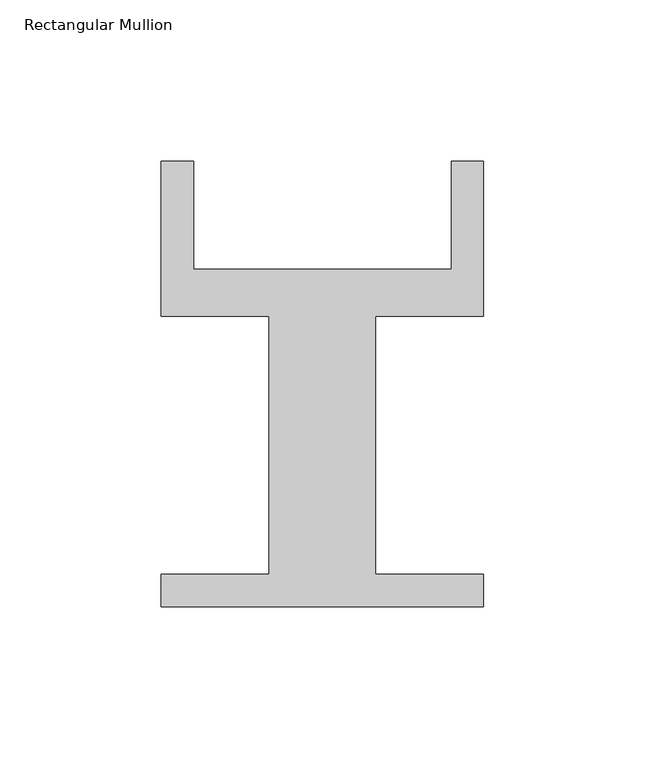
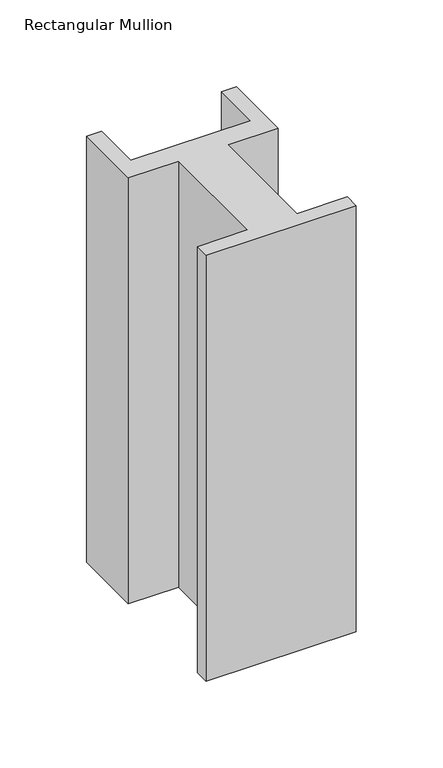
"""IFC4 building model written with IfcOpenShell, lengths in millimetres: member geometry, Rectangular Mullion."""

import ifcopenshell
import ifcopenshell.guid

model = None  # the IFC model being written
_history = None  # IfcOwnerHistory: only IFC2X3 demands one
_inside = {}  # id of a spatial element -> (the spatial element, [elements in it])
_under = {}  # id of a project, library or spatial element -> (it, [spatial elements below it])
_declared = {}  # id of a project -> (the project, [libraries it declares])
_typed = {}  # id of a type object -> (the type object, [elements of that type])
_made_of = {}  # id of a material, layer set ... -> (it, [elements and type objects made of it])


def new_model(schema):
    """Start an empty IFC model of exactly this schema.

    Asked for "IFC4X3", IfcOpenShell would pick the latest addendum, in which some entities
    have other attributes; the version numbers below select the first issue.
    IFC2X3 requires an IfcOwnerHistory on every rooted entity: one is made here for all.
    """
    global model, _history
    if schema == "IFC4X3":
        model = ifcopenshell.file(schema_version=(4, 3, 0, 0))
    else:
        model = ifcopenshell.file(schema=schema)
    _inside.clear()
    _under.clear()
    _declared.clear()
    _typed.clear()
    _made_of.clear()
    _history = None
    if model.schema == "IFC2X3":
        org = make("IfcOrganization", Name="unknown")
        user = make(
            "IfcPersonAndOrganization",
            ThePerson=make("IfcPerson", FamilyName="unknown"),
            TheOrganization=org,
        )
        app = make(
            "IfcApplication",
            ApplicationDeveloper=org,
            Version="unknown",
            ApplicationFullName="unknown",
            ApplicationIdentifier="unknown",
        )
        _history = make(
            "IfcOwnerHistory",
            OwningUser=user,
            OwningApplication=app,
            ChangeAction="ADDED",
            CreationDate=0,
        )
    return model


def make(cls, **values):
    """One entity of the class cls with the attributes given. An attribute that is None is left unset."""
    return model.create_entity(
        cls, **{name: value for name, value in values.items() if value is not None}
    )


def rooted(cls, **values):
    """An entity with a GlobalId (a new one), such as an element, a storey or a relation."""
    return make(cls, GlobalId=ifcopenshell.guid.new(), OwnerHistory=_history, **values)


def si_unit(unit_type, name, prefix=None):
    """IfcSIUnit, for example si_unit("LENGTHUNIT", "METRE", prefix="MILLI")."""
    return make("IfcSIUnit", UnitType=unit_type, Prefix=prefix, Name=name)


def assignment(units):
    """IfcUnitAssignment: the units of a project."""
    return None if units is None else make("IfcUnitAssignment", Units=units)


def point(xyz):
    """IfcCartesianPoint."""
    return None if xyz is None else make("IfcCartesianPoint", Coordinates=xyz)


def direction(xyz):
    """IfcDirection."""
    return None if xyz is None else make("IfcDirection", DirectionRatios=xyz)


def frame(location, z_axis=None, x_axis=None):
    """IfcAxis2Placement3D, a coordinate frame: its origin and axes. An axis left out is left unset."""
    return make(
        "IfcAxis2Placement3D",
        Location=point(location),
        Axis=direction(z_axis),
        RefDirection=direction(x_axis),
    )


def origin():
    """The frame at (0, 0, 0) with its axes left unset."""
    return frame((0.0, 0.0, 0.0))


def place(relative_to, where):
    """IfcLocalPlacement: puts the frame where relative to a parent placement (None: the world)."""
    return make(
        "IfcLocalPlacement", PlacementRelTo=relative_to, RelativePlacement=where
    )


def context(
    kind, dimensions, precision=None, world=None, true_north=None, identifier=None
):
    """IfcGeometricRepresentationContext, for example the 3D "Model" context."""
    return make(
        "IfcGeometricRepresentationContext",
        ContextIdentifier=identifier,
        ContextType=kind,
        CoordinateSpaceDimension=dimensions,
        Precision=precision,
        WorldCoordinateSystem=world,
        TrueNorth=true_north,
    )


def project(units=None, contexts=None):
    """IfcProject with its units and contexts."""
    return rooted(
        "IfcProject",
        Name="project",
        RepresentationContexts=contexts,
        UnitsInContext=assignment(units),
    )


def spatial(cls, under=None, at=None, **own):
    """A site, building, storey or space (cls), placed at a placement, below another one or the project."""
    s = rooted(cls, ObjectPlacement=at, **own)
    if under is not None:
        _under.setdefault(under.id(), (under, []))[1].append(s)
    return s


def polyline(points):
    """IfcPolyline through the points."""
    return make("IfcPolyline", Points=[point(p) for p in points])


def outline(outer, holes=None, kind="AREA"):
    """IfcArbitraryClosedProfileDef: a profile drawn as a closed curve; with holes, ...WithVoids."""
    if holes is None:
        return make("IfcArbitraryClosedProfileDef", ProfileType=kind, OuterCurve=outer)
    return make(
        "IfcArbitraryProfileDefWithVoids",
        ProfileType=kind,
        OuterCurve=outer,
        InnerCurves=holes,
    )


def extrude(swept, where, along, depth):
    """IfcExtrudedAreaSolid: the profile swept, set in the frame where, extruded along a direction by depth."""
    return make(
        "IfcExtrudedAreaSolid",
        SweptArea=swept,
        Position=where,
        ExtrudedDirection=direction(along),
        Depth=depth,
    )


def shape(context_of_items, identifier, shape_type, items):
    """IfcShapeRepresentation: the items that make up one representation, for example the "Body"."""
    return make(
        "IfcShapeRepresentation",
        ContextOfItems=context_of_items,
        RepresentationIdentifier=identifier,
        RepresentationType=shape_type,
        Items=items,
    )


def source(mapping_origin, context_of_items, identifier, shape_type, items):
    """IfcRepresentationMap: a shape defined once, which mapped items show again and again."""
    return make(
        "IfcRepresentationMap",
        MappingOrigin=mapping_origin,
        MappedRepresentation=shape(context_of_items, identifier, shape_type, items),
    )


def transform(
    local_origin,
    x_axis=None,
    y_axis=None,
    z_axis=None,
    scale=None,
    scale2=None,
    scale3=None,
    uniform=True,
):
    """IfcCartesianTransformationOperator3D, or its non-uniform kind. x_axis, y_axis, z_axis: its Axis1, 2, 3."""
    if uniform:
        return make(
            "IfcCartesianTransformationOperator3D",
            Axis1=direction(x_axis),
            Axis2=direction(y_axis),
            LocalOrigin=point(local_origin),
            Scale=scale,
            Axis3=direction(z_axis),
        )
    return make(
        "IfcCartesianTransformationOperator3DnonUniform",
        Axis1=direction(x_axis),
        Axis2=direction(y_axis),
        LocalOrigin=point(local_origin),
        Scale=scale,
        Axis3=direction(z_axis),
        Scale2=scale2,
        Scale3=scale3,
    )


def mapped(mapping_source, mapping_target):
    """IfcMappedItem: shows the shape of a source again, moved by a transform."""
    return make(
        "IfcMappedItem", MappingSource=mapping_source, MappingTarget=mapping_target
    )


def made_of(thing, what):
    """Note that an element or type object is made of a material, layer set ...; save() writes the relation."""
    if what is not None:
        _made_of.setdefault(what.id(), (what, []))[1].append(thing)
    return thing


def element(
    cls,
    number,
    at=None,
    inside=None,
    cuts=None,
    type_object=None,
    material=None,
    context=None,
    identifier="Body",
    shape_type=None,
    held_by="IfcProductDefinitionShape",
    body=None,
    shapes=None,
    **own,
):
    """One element of the class cls, such as IfcWall. Its Tag is "e" and its number.

    at: its placement. inside: the storey or other place that contains it. cuts: it is an
    opening in that element (IfcRelVoidsElement). A single representation is given by context,
    identifier, shape_type and body (its items); several are given by shapes. held_by: the class
    of the entity that holds the representations. save() writes the other relations.
    """
    e = rooted(cls, Tag="e%d" % number, ObjectPlacement=at, **own)
    if body is not None:
        shapes = [shape(context, identifier, shape_type, body)]
    if shapes is not None:
        e.Representation = make(held_by, Representations=shapes)
    if inside is not None:
        _inside.setdefault(inside.id(), (inside, []))[1].append(e)
    if cuts is not None:
        rooted(
            "IfcRelVoidsElement", RelatingBuildingElement=cuts, RelatedOpeningElement=e
        )
    if type_object is not None:
        _typed.setdefault(type_object.id(), (type_object, []))[1].append(e)
    return made_of(e, material)


def aggregate(whole, parts):
    """IfcRelAggregates: a whole, such as a stair, and the parts it consists of."""
    return rooted("IfcRelAggregates", RelatingObject=whole, RelatedObjects=parts)


def save(model, path):
    """Write the relations noted so far, then the file.

    IfcRelAggregates (storeys below a building ...), IfcRelContainedInSpatialStructure (elements
    in a storey), IfcRelDefinesByType, IfcRelAssociatesMaterial and IfcRelDeclares: one each for
    every whole, place, type object, material and project.
    """
    for whole, parts in _under.values():
        aggregate(whole, parts)
    for where, things in _inside.values():
        rooted(
            "IfcRelContainedInSpatialStructure",
            RelatedElements=things,
            RelatingStructure=where,
        )
    for kind, things in _typed.values():
        rooted("IfcRelDefinesByType", RelatedObjects=things, RelatingType=kind)
    for what, things in _made_of.values():
        rooted("IfcRelAssociatesMaterial", RelatedObjects=things, RelatingMaterial=what)
    for by, libraries in _declared.values():
        rooted("IfcRelDeclares", RelatingContext=by, RelatedDefinitions=libraries)
    model.write(path)


def rectangular_mullion_5511a788(model_context):
    return source(origin(), model_context, "Body", "SweptSolid", [
        extrude(outline(polyline([(0.0, 40.0), (-33.5494902, 40.0), (-33.5494902, -40.0), (0.0, -40.0), (0.0, -50.0), (-100.0, -50.0), (-100.0, -40.0), (-66.4715162, -40.0), (-66.4715162, 40.0), (-100.0, 40.0), (-100.0, 88.0), (-90.0, 88.0), (-90.0, 54.5), (-10.0, 54.5), (-10.0, 88.0), (0.0, 88.0), (0.0, 40.0)])), frame((0.0, 0.0, -300.0), z_axis=(0.0, 0.0, 1.0), x_axis=(1.0, 0.0, 0.0)), (0.0, 0.0, 1.0), 300.0),
    ])


if __name__ == "__main__":
    model = new_model("IFC4")
    model_context = context("Model", 3, world=origin())
    ifc_project = project(units=[si_unit("LENGTHUNIT", "METRE", prefix="MILLI")], contexts=[model_context])
    site = spatial("IfcSite", under=ifc_project)
    building = spatial("IfcBuilding", under=site)
    placement = place(None, origin())
    rectangular_mullion_shape = rectangular_mullion_5511a788(model_context)
    element("IfcMember", 1, ObjectType="Rectangular Mullion", at=placement, inside=building, context=model_context, shape_type="MappedRepresentation", body=[
        mapped(rectangular_mullion_shape, transform((0.0, 0.0, 0.0), x_axis=(1.0, 0.0, 0.0), y_axis=(0.0, 1.0, 0.0), z_axis=(0.0, 0.0, 1.0))),
    ])
    save(model, "model.ifc")
